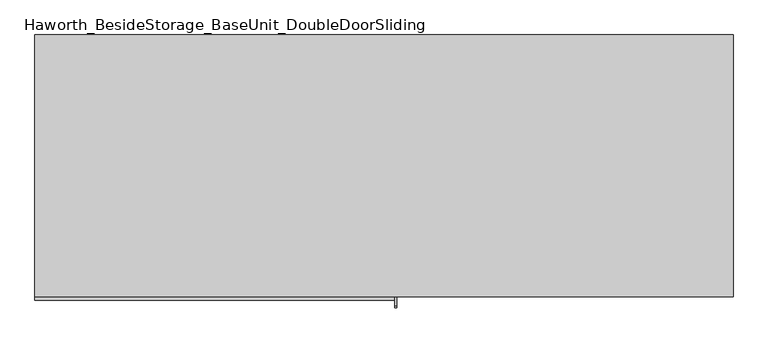
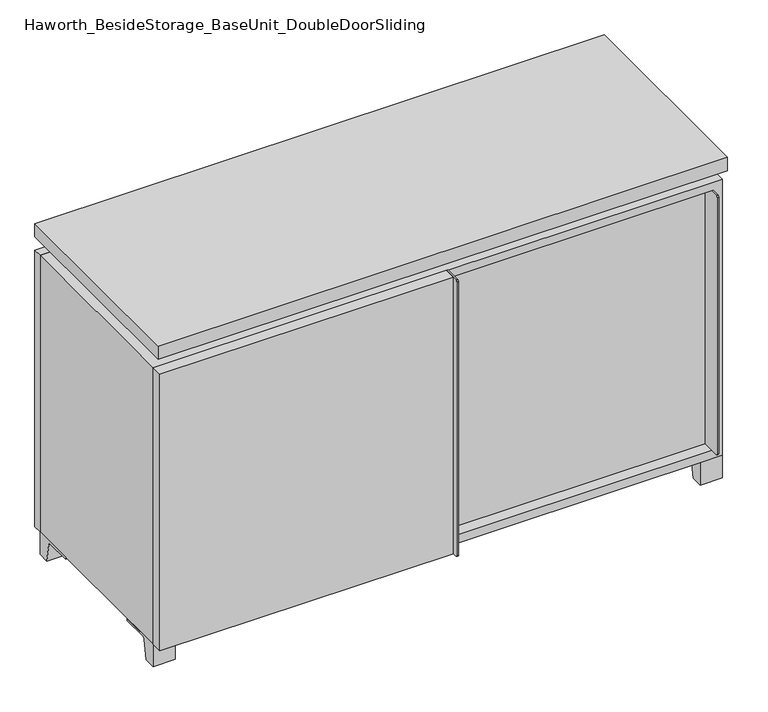
"""IFC4 building model written with IfcOpenShell, lengths in millimetres: furniture geometry, Haworth_BesideStorage_BaseUnit_DoubleDoorSliding."""

from ifc_helpers import new_model, si_unit, point, frame, frame_2d, origin, place, context, project, spatial, polyline, circle_curve, trimmed, segment, composite_curve, outline, extrude, faceted_brep, source, transform, mapped, element, save


def haworth_besidestorage_baseunit_doubledoorsliding_2b9cf92d(model_context):
    return source(origin(), model_context, "Body", "SolidModel", [
        extrude(outline(polyline([(9.5319453, 241.3), (590.5569453, 241.3), (590.5569453, -92.075), (9.5319453, -92.075), (9.5319453, 241.3)])), frame((0.0, 0.0, 354.0125), z_axis=(0.0, 0.0, 1.0), x_axis=(1.0, 0.0, 0.0)), (0.0, 0.0, 1.0), 19.05),
        extrude(outline(polyline([(-9.5041641, 241.3), (-9.5041641, -92.075), (-590.5291641, -92.075), (-590.5291641, 241.3), (-9.5041641, 241.3)])), frame((0.0, 0.0, 354.0125), z_axis=(0.0, 0.0, 1.0), x_axis=(1.0, 0.0, 0.0)), (0.0, 0.0, 1.0), 19.05),
        extrude(outline(composite_curve([segment(polyline([(-95.25, 657.225), (-95.25, 69.85), (-161.925, 69.85)]), True, "CONTINUOUS"), segment(trimmed(circle_curve(frame_2d((-161.925, 73.025)), 3.175), [point((-161.925, 69.85))], [point((-165.1, 73.025))], False, "CARTESIAN"), True, "CONTINUOUS"), segment(polyline([(-165.1, 73.025), (-165.1, 654.05)]), True, "CONTINUOUS"), segment(trimmed(circle_curve(frame_2d((-161.925, 654.05)), 3.175), [point((-165.1, 654.05))], [point((-161.925, 657.225))], False, "CARTESIAN"), True, "CONTINUOUS"), segment(polyline([(-161.925, 657.225), (-95.25, 657.225)]), True, "CONTINUOUS")], self_intersect=False)), frame((587.3819453, 0.0, 0.0), z_axis=(1.0, 0.0, 0.0), x_axis=(0.0, 1.0, 0.0)), (0.0, 0.0, 1.0), 3.175),
        extrude(outline(polyline([(15.8819453, -95.25), (587.3819453, -95.25), (587.3819453, -120.65), (15.8819453, -120.65), (15.8819453, -95.25)])), frame((0.0, 0.0, 69.85), z_axis=(0.0, 0.0, 1.0), x_axis=(1.0, 0.0, 0.0)), (0.0, 0.0, 1.0), 587.375),
        extrude(outline(polyline([(609.6138906, 292.1), (609.6138906, -165.1), (-609.5861094, -165.1), (-609.5861094, 292.1), (609.6138906, 292.1)])), frame((0.0, 0.0, 706.4375), z_axis=(0.0, 0.0, 1.0), x_axis=(1.0, 0.0, 0.0)), (0.0, 0.0, 1.0), 30.1625),
        extrude(outline(composite_curve([segment(polyline([(-146.05, 676.275), (-146.05, 50.8), (-180.975, 50.8)]), True, "CONTINUOUS"), segment(trimmed(circle_curve(frame_2d((-180.975, 53.975)), 3.175), [point((-180.975, 50.8))], [point((-184.15, 53.975))], False, "CARTESIAN"), True, "CONTINUOUS"), segment(polyline([(-184.15, 53.975), (-184.15, 673.1)]), True, "CONTINUOUS"), segment(trimmed(circle_curve(frame_2d((-180.975, 673.1)), 3.175), [point((-184.15, 673.1))], [point((-180.975, 676.275))], False, "CARTESIAN"), True, "CONTINUOUS"), segment(polyline([(-180.975, 676.275), (-146.05, 676.275)]), True, "CONTINUOUS")], self_intersect=False)), frame((19.0638906, 0.0, 0.0), z_axis=(1.0, 0.0, 0.0), x_axis=(0.0, 1.0, 0.0)), (0.0, 0.0, 1.0), 3.175),
        extrude(outline(polyline([(-609.5861094, -146.05), (19.0638906, -146.05), (19.0638906, -171.45), (-609.5861094, -171.45), (-609.5861094, -146.05)])), frame((0.0, 0.0, 50.8), z_axis=(0.0, 0.0, 1.0), x_axis=(1.0, 0.0, 0.0)), (0.0, 0.0, 1.0), 625.475),
        extrude(outline(composite_curve([segment(polyline([(-120.6500136, 0.0), (-146.05, 0.0), (-146.05, 50.8), (-50.8, 50.8), (-50.8, 46.0213321), (-107.6005345, 46.0213321)]), True, "CONTINUOUS"), segment(trimmed(circle_curve(frame_2d((-107.6005345, 39.6713321)), 6.35), [point((-107.6005345, 46.0213321))], [point((-113.8641359, 40.7152656))], True, "CARTESIAN"), True, "CONTINUOUS"), segment(polyline([(-113.8641359, 40.7152656), (-120.6500136, 0.0)]), True, "CONTINUOUS")], self_intersect=False)), frame((561.9888906, 0.0, 0.0), z_axis=(1.0, 0.0, 0.0), x_axis=(0.0, 1.0, 0.0)), (0.0, 0.0, 1.0), 47.625),
        extrude(outline(composite_curve([segment(polyline([(247.6500136, 0.0), (240.8641359, 40.7152656)]), True, "CONTINUOUS"), segment(trimmed(circle_curve(frame_2d((234.6005345, 39.6713321)), 6.35), [point((240.8641359, 40.7152656))], [point((234.6005345, 46.0213321))], True, "CARTESIAN"), True, "CONTINUOUS"), segment(polyline([(234.6005345, 46.0213321), (177.8, 46.0213321), (177.8, 50.8), (273.05, 50.8), (273.05, 0.0), (247.6500136, 0.0)]), True, "CONTINUOUS")], self_intersect=False)), frame((561.9888906, 0.0, 0.0), z_axis=(1.0, 0.0, 0.0), x_axis=(0.0, 1.0, 0.0)), (0.0, 0.0, 1.0), 47.625),
        extrude(outline(composite_curve([segment(polyline([(-120.6500136, 0.0), (-146.05, 0.0), (-146.05, 50.8), (-50.8, 50.8), (-50.8, 46.0213321), (-107.6005345, 46.0213321)]), True, "CONTINUOUS"), segment(trimmed(circle_curve(frame_2d((-107.6005345, 39.6713321)), 6.35), [point((-107.6005345, 46.0213321))], [point((-113.8641359, 40.7152656))], True, "CARTESIAN"), True, "CONTINUOUS"), segment(polyline([(-113.8641359, 40.7152656), (-120.6500136, 0.0)]), True, "CONTINUOUS")], self_intersect=False)), frame((-609.5861094, 0.0, 0.0), z_axis=(1.0, 0.0, 0.0), x_axis=(0.0, 1.0, 0.0)), (0.0, 0.0, 1.0), 47.625),
        extrude(outline(composite_curve([segment(polyline([(247.6500136, 0.0), (240.8641359, 40.7152656)]), True, "CONTINUOUS"), segment(trimmed(circle_curve(frame_2d((234.6005345, 39.6713321)), 6.35), [point((240.8641359, 40.7152656))], [point((234.6005345, 46.0213321))], True, "CARTESIAN"), True, "CONTINUOUS"), segment(polyline([(234.6005345, 46.0213321), (177.8, 46.0213321), (177.8, 50.8), (273.05, 50.8), (273.05, 0.0), (247.6500136, 0.0)]), True, "CONTINUOUS")], self_intersect=False)), frame((-609.5861094, 0.0, 0.0), z_axis=(1.0, 0.0, 0.0), x_axis=(0.0, 1.0, 0.0)), (0.0, 0.0, 1.0), 47.625),
        faceted_brep([(7.9513906, -120.65, 706.4375), (7.9513906, -120.65, 676.275), (7.9513906, 53.975, 676.275), (7.9513906, 53.975, 706.4375), (7.9513906, 247.65, 676.275), (7.9513906, 247.65, 706.4375), (7.9513906, 73.025, 706.4375), (7.9513906, 73.025, 676.275), (-7.9236094, 247.65, 706.4375), (-7.9236094, 247.65, 676.275), (-7.9236094, 73.025, 676.275), (-7.9236094, 73.025, 706.4375), (-7.9236094, -120.65, 676.275), (-7.9236094, -120.65, 706.4375), (-7.9236094, 53.975, 706.4375), (-7.9236094, 53.975, 676.275), (-568.2833281, 73.025, 706.4375), (-568.3041641, 247.65, 706.4375), (-584.1791641, 247.65, 706.4375), (-584.1791641, -120.65, 706.4375), (-568.3041641, -120.65, 706.4375), (-568.3041641, 53.975, 706.4375), (568.3111094, 53.975, 706.4375), (568.3111094, -120.65, 706.4375), (584.1861094, -120.65, 706.4375), (584.1861094, 247.65, 706.4375), (568.3111094, 247.65, 706.4375), (568.3111094, 73.025, 706.4375), (-568.2833281, 53.975, 676.275), (-568.3041641, -120.65, 676.275), (-584.1791641, -120.65, 676.275), (-584.1791641, 247.65, 676.275), (-568.3041641, 247.65, 676.275), (-568.3041641, 73.025, 676.275), (568.3111094, 73.025, 676.275), (568.3111094, 247.65, 676.275), (584.1861094, 247.65, 676.275), (584.1861094, -120.65, 676.275), (568.3111094, -120.65, 676.275), (568.3111094, 53.975, 676.275)], [[[0, 1, 2, 3]], [[4, 5, 6, 7]], [[8, 9, 10, 11]], [[12, 13, 14, 15]], [[5, 8, 11, 16, 17, 18, 19, 20, 21, 14, 13, 0, 3, 22, 23, 24, 25, 26, 27, 6]], [[1, 12, 15, 28, 29, 30, 31, 32, 33, 10, 9, 4, 7, 34, 35, 36, 37, 38, 39, 2]], [[5, 4, 9, 8]], [[1, 0, 13, 12]], [[6, 27, 34, 7]], [[22, 3, 2, 39]], [[20, 29, 28, 21]], [[32, 17, 16, 33]], [[18, 31, 30, 19]], [[29, 20, 19, 30]], [[17, 32, 31, 18]], [[26, 35, 34, 27]], [[38, 23, 22, 39]], [[25, 24, 37, 36]], [[23, 38, 37, 24]], [[35, 26, 25, 36]], [[16, 11, 10, 33]], [[14, 21, 28, 15]]]),
        extrude(outline(polyline([(9.5388906, 241.3), (9.5388906, -95.25), (-9.5111094, -95.25), (-9.5111094, 241.3), (9.5388906, 241.3)])), frame((0.0, 0.0, 69.85), z_axis=(0.0, 0.0, 1.0), x_axis=(1.0, 0.0, 0.0)), (0.0, 0.0, 1.0), 587.375),
        extrude(outline(polyline([(15.8888906, -88.9), (15.8888906, -146.05), (-9.5111094, -146.05), (-9.5111094, -120.65), (3.1888906, -120.65), (3.1888906, -88.9), (15.8888906, -88.9)])), frame((0.0, 0.0, 69.85), z_axis=(0.0, 0.0, 1.0), x_axis=(1.0, 0.0, 0.0)), (0.0, 0.0, 1.0), 587.375),
        extrude(outline(polyline([(609.6138906, 273.05), (-609.5861094, 273.05), (-609.5861094, 292.1), (609.6138906, 292.1), (609.6138906, 273.05)])), frame((0.0, 0.0, 50.8), z_axis=(0.0, 0.0, 1.0), x_axis=(1.0, 0.0, 0.0)), (0.0, 0.0, 1.0), 625.475),
        extrude(outline(polyline([(50.8, -609.5861094), (50.8, 609.6), (676.275, 609.6), (676.275, -609.5861094), (50.8, -609.5861094)]), holes=[polyline([(69.85, -590.5361094), (657.225, -590.5361094), (657.225, 590.5361094), (69.85, 590.5361094), (69.85, -590.5361094)])]), frame((0.0, -146.05, 0.0), z_axis=(0.0, 1.0, 0.0), x_axis=(0.0, 0.0, 1.0)), (0.0, 0.0, 1.0), 419.1),
        extrude(outline(polyline([(-590.5291641, 241.3), (-590.5291641, 247.65), (590.5569453, 247.65), (590.5569453, 241.3), (-590.5291641, 241.3)])), frame((0.0, 0.0, 69.85), z_axis=(0.0, 0.0, 1.0), x_axis=(1.0, 0.0, 0.0)), (0.0, 0.0, 1.0), 587.375),
    ])


if __name__ == "__main__":
    model = new_model("IFC4")
    model_context = context("Model", 3, world=origin())
    ifc_project = project(units=[si_unit("LENGTHUNIT", "METRE", prefix="MILLI")], contexts=[model_context])
    site = spatial("IfcSite", under=ifc_project)
    building = spatial("IfcBuilding", under=site)
    placement = place(None, origin())
    haworth_besidestorage_baseunit_doubledoorsliding_shape = haworth_besidestorage_baseunit_doubledoorsliding_2b9cf92d(model_context)
    element("IfcFurniture", 1, ObjectType="Haworth_BesideStorage_BaseUnit_DoubleDoorSliding", at=placement, inside=building, context=model_context, shape_type="MappedRepresentation", body=[
        mapped(haworth_besidestorage_baseunit_doubledoorsliding_shape, transform((0.0, 0.0, 0.0), x_axis=(1.0, 0.0, 0.0), y_axis=(0.0, 1.0, 0.0), z_axis=(0.0, 0.0, 1.0))),
    ])
    save(model, "model.ifc")
